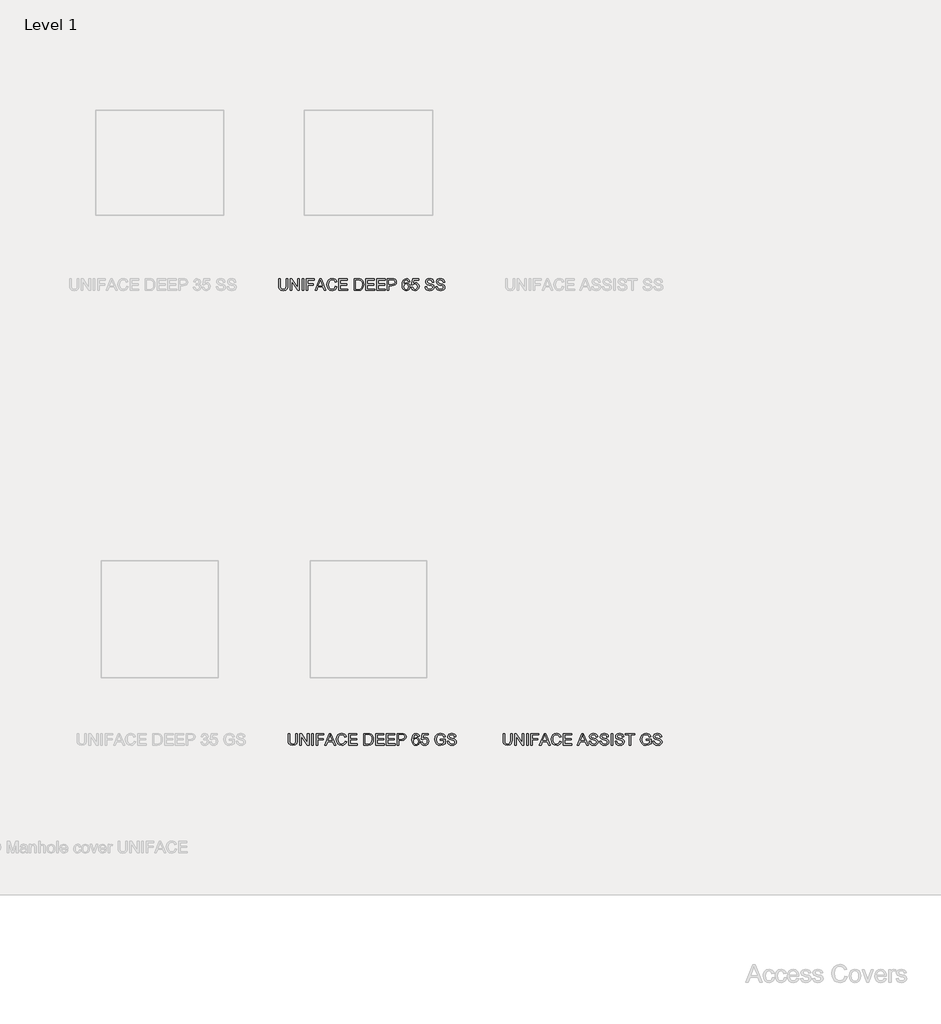
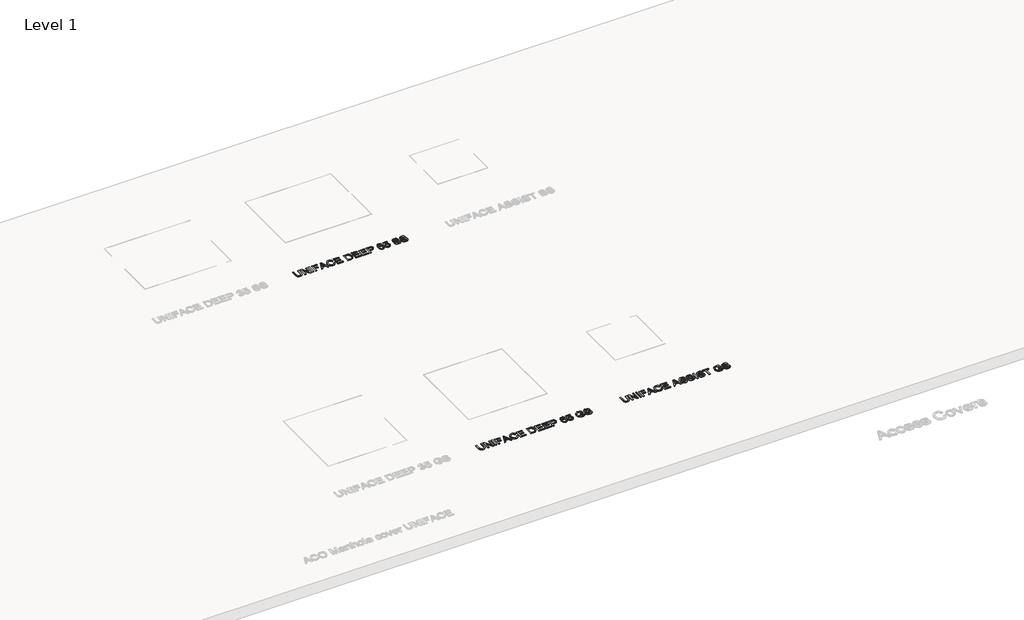
# One storey, part 6 of 9: 3 proxies.
"""IFC4 building model written with IfcOpenShell, lengths in millimetres."""

import ifcopenshell
import ifcopenshell.guid

model = None  # the IFC model being written
_history = None  # IfcOwnerHistory: only IFC2X3 demands one
_inside = {}  # id of a spatial element -> (the spatial element, [elements in it])
_under = {}  # id of a project, library or spatial element -> (it, [spatial elements below it])
_declared = {}  # id of a project -> (the project, [libraries it declares])
_typed = {}  # id of a type object -> (the type object, [elements of that type])
_made_of = {}  # id of a material, layer set ... -> (it, [elements and type objects made of it])


def new_model(schema):
    """Start an empty IFC model of exactly this schema.

    Asked for "IFC4X3", IfcOpenShell would pick the latest addendum, in which some entities
    have other attributes; the version numbers below select the first issue.
    IFC2X3 requires an IfcOwnerHistory on every rooted entity: one is made here for all.
    """
    global model, _history
    if schema == "IFC4X3":
        model = ifcopenshell.file(schema_version=(4, 3, 0, 0))
    else:
        model = ifcopenshell.file(schema=schema)
    _inside.clear()
    _under.clear()
    _declared.clear()
    _typed.clear()
    _made_of.clear()
    _history = None
    if model.schema == "IFC2X3":
        org = make("IfcOrganization", Name="unknown")
        user = make(
            "IfcPersonAndOrganization",
            ThePerson=make("IfcPerson", FamilyName="unknown"),
            TheOrganization=org,
        )
        app = make(
            "IfcApplication",
            ApplicationDeveloper=org,
            Version="unknown",
            ApplicationFullName="unknown",
            ApplicationIdentifier="unknown",
        )
        _history = make(
            "IfcOwnerHistory",
            OwningUser=user,
            OwningApplication=app,
            ChangeAction="ADDED",
            CreationDate=0,
        )
    return model


def make(cls, **values):
    """One entity of the class cls with the attributes given. An attribute that is None is left unset."""
    return model.create_entity(
        cls, **{name: value for name, value in values.items() if value is not None}
    )


def rooted(cls, **values):
    """An entity with a GlobalId (a new one), such as an element, a storey or a relation."""
    return make(cls, GlobalId=ifcopenshell.guid.new(), OwnerHistory=_history, **values)


def si_unit(unit_type, name, prefix=None):
    """IfcSIUnit, for example si_unit("LENGTHUNIT", "METRE", prefix="MILLI")."""
    return make("IfcSIUnit", UnitType=unit_type, Prefix=prefix, Name=name)


def assignment(units):
    """IfcUnitAssignment: the units of a project."""
    return None if units is None else make("IfcUnitAssignment", Units=units)


def point(xyz):
    """IfcCartesianPoint."""
    return None if xyz is None else make("IfcCartesianPoint", Coordinates=xyz)


def direction(xyz):
    """IfcDirection."""
    return None if xyz is None else make("IfcDirection", DirectionRatios=xyz)


def frame(location, z_axis=None, x_axis=None):
    """IfcAxis2Placement3D, a coordinate frame: its origin and axes. An axis left out is left unset."""
    return make(
        "IfcAxis2Placement3D",
        Location=point(location),
        Axis=direction(z_axis),
        RefDirection=direction(x_axis),
    )


def origin():
    """The frame at (0, 0, 0) with its axes left unset."""
    return frame((0.0, 0.0, 0.0))


def origin_with_axes():
    """The frame at (0, 0, 0) with the z axis (0, 0, 1) and the x axis (1, 0, 0) written out."""
    return frame((0.0, 0.0, 0.0), z_axis=(0.0, 0.0, 1.0), x_axis=(1.0, 0.0, 0.0))


def place(relative_to, where):
    """IfcLocalPlacement: puts the frame where relative to a parent placement (None: the world)."""
    return make(
        "IfcLocalPlacement", PlacementRelTo=relative_to, RelativePlacement=where
    )


def context(
    kind, dimensions, precision=None, world=None, true_north=None, identifier=None
):
    """IfcGeometricRepresentationContext, for example the 3D "Model" context."""
    return make(
        "IfcGeometricRepresentationContext",
        ContextIdentifier=identifier,
        ContextType=kind,
        CoordinateSpaceDimension=dimensions,
        Precision=precision,
        WorldCoordinateSystem=world,
        TrueNorth=true_north,
    )


def project(units=None, contexts=None):
    """IfcProject with its units and contexts."""
    return rooted(
        "IfcProject",
        Name="project",
        RepresentationContexts=contexts,
        UnitsInContext=assignment(units),
    )


def spatial(cls, under=None, at=None, **own):
    """A site, building, storey or space (cls), placed at a placement, below another one or the project."""
    s = rooted(cls, ObjectPlacement=at, **own)
    if under is not None:
        _under.setdefault(under.id(), (under, []))[1].append(s)
    return s


def polyline(points):
    """IfcPolyline through the points."""
    return make("IfcPolyline", Points=[point(p) for p in points])


def outline(outer, holes=None, kind="AREA"):
    """IfcArbitraryClosedProfileDef: a profile drawn as a closed curve; with holes, ...WithVoids."""
    if holes is None:
        return make("IfcArbitraryClosedProfileDef", ProfileType=kind, OuterCurve=outer)
    return make(
        "IfcArbitraryProfileDefWithVoids",
        ProfileType=kind,
        OuterCurve=outer,
        InnerCurves=holes,
    )


def extrude(swept, where, along, depth):
    """IfcExtrudedAreaSolid: the profile swept, set in the frame where, extruded along a direction by depth."""
    return make(
        "IfcExtrudedAreaSolid",
        SweptArea=swept,
        Position=where,
        ExtrudedDirection=direction(along),
        Depth=depth,
    )


def shape(context_of_items, identifier, shape_type, items):
    """IfcShapeRepresentation: the items that make up one representation, for example the "Body"."""
    return make(
        "IfcShapeRepresentation",
        ContextOfItems=context_of_items,
        RepresentationIdentifier=identifier,
        RepresentationType=shape_type,
        Items=items,
    )


def made_of(thing, what):
    """Note that an element or type object is made of a material, layer set ...; save() writes the relation."""
    if what is not None:
        _made_of.setdefault(what.id(), (what, []))[1].append(thing)
    return thing


def element(
    cls,
    number,
    at=None,
    inside=None,
    cuts=None,
    type_object=None,
    material=None,
    context=None,
    identifier="Body",
    shape_type=None,
    held_by="IfcProductDefinitionShape",
    body=None,
    shapes=None,
    **own,
):
    """One element of the class cls, such as IfcWall. Its Tag is "e" and its number.

    at: its placement. inside: the storey or other place that contains it. cuts: it is an
    opening in that element (IfcRelVoidsElement). A single representation is given by context,
    identifier, shape_type and body (its items); several are given by shapes. held_by: the class
    of the entity that holds the representations. save() writes the other relations.
    """
    e = rooted(cls, Tag="e%d" % number, ObjectPlacement=at, **own)
    if body is not None:
        shapes = [shape(context, identifier, shape_type, body)]
    if shapes is not None:
        e.Representation = make(held_by, Representations=shapes)
    if inside is not None:
        _inside.setdefault(inside.id(), (inside, []))[1].append(e)
    if cuts is not None:
        rooted(
            "IfcRelVoidsElement", RelatingBuildingElement=cuts, RelatedOpeningElement=e
        )
    if type_object is not None:
        _typed.setdefault(type_object.id(), (type_object, []))[1].append(e)
    return made_of(e, material)


def aggregate(whole, parts):
    """IfcRelAggregates: a whole, such as a stair, and the parts it consists of."""
    return rooted("IfcRelAggregates", RelatingObject=whole, RelatedObjects=parts)


def save(model, path):
    """Write the relations noted so far, then the file.

    IfcRelAggregates (storeys below a building ...), IfcRelContainedInSpatialStructure (elements
    in a storey), IfcRelDefinesByType, IfcRelAssociatesMaterial and IfcRelDeclares: one each for
    every whole, place, type object, material and project.
    """
    for whole, parts in _under.values():
        aggregate(whole, parts)
    for where, things in _inside.values():
        rooted(
            "IfcRelContainedInSpatialStructure",
            RelatedElements=things,
            RelatingStructure=where,
        )
    for kind, things in _typed.values():
        rooted("IfcRelDefinesByType", RelatedObjects=things, RelatingType=kind)
    for what, things in _made_of.values():
        rooted("IfcRelAssociatesMaterial", RelatedObjects=things, RelatingMaterial=what)
    for by, libraries in _declared.values():
        rooted("IfcRelDeclares", RelatingContext=by, RelatedDefinitions=libraries)
    model.write(path)


model = new_model("IFC4")

# Units and contexts
model_context = context("Model", 3, world=origin())
ifc_project = project(units=[si_unit("LENGTHUNIT", "METRE", prefix="MILLI")], contexts=[model_context])

# Site, building, storey
site = spatial("IfcSite", under=ifc_project)
building = spatial("IfcBuilding", under=site)
storey = spatial("IfcBuildingStorey", under=building, Name="Level 1", Elevation=0.0)

# Proxies
placement = place(None, origin())
element("IfcBuildingElementProxy", 1, Name="100mm ACO", ObjectType="100mm ACO", at=placement, inside=storey, context=model_context, shape_type="SweptSolid", body=[
    extrude(outline(polyline([(9234.888236, -15767.3956492), (9234.0442111, -15781.7586247), (9229.5621478, -15795.3212318), (9217.7457991, -15806.9338503), (9195.9466731, -15811.5759873), (9174.4967988, -15807.4577279), (9162.5494807, -15796.8055515), (9157.7036136, -15783.1992879), (9156.6558585, -15767.3956492), (9156.6558585, -15709.1288264), (9169.6945881, -15709.1288264), (9169.6945881, -15767.7449008), (9170.9897298, -15783.5048831), (9177.8146898, -15795.2630232), (9184.850656, -15799.1157058), (9194.898918, -15800.3999334), (9212.4342631, -15796.3107783), (9220.0741437, -15785.3821109), (9221.8495064, -15767.7449008), (9221.8495064, -15709.1288264), (9234.888236, -15709.1288264), (9234.888236, -15767.3956492)])), origin_with_axes(), (0.0, 0.0, 1.0), 10.0),
    extrude(outline(polyline([(9335.4727213, -15809.7133117), (9321.5026539, -15809.7133117), (9270.5410122, -15731.0152653), (9270.5410122, -15809.7133117), (9257.2403438, -15809.7133117), (9257.2403438, -15709.1288264), (9271.2395156, -15709.1288264), (9322.172053, -15787.7686641), (9322.172053, -15709.1288264), (9335.4727213, -15709.1288264), (9335.4727213, -15809.7133117)])), origin_with_axes(), (0.0, 0.0, 1.0), 10.0),
    extrude(outline(polyline([(9372.7262344, -15809.7133117), (9359.6875048, -15809.7133117), (9359.6875048, -15709.1288264), (9372.7262344, -15709.1288264), (9372.7262344, -15809.7133117)])), origin_with_axes(), (0.0, 0.0, 1.0), 10.0),
    extrude(outline(polyline([(9463.9973414, -15720.3048803), (9409.9797475, -15720.3048803), (9409.9797475, -15751.9703664), (9456.5466388, -15751.9703664), (9456.5466388, -15763.1464203), (9409.9797475, -15763.1464203), (9409.9797475, -15809.7133117), (9396.9410179, -15809.7133117), (9396.9410179, -15709.1288264), (9463.9973414, -15709.1288264), (9463.9973414, -15720.3048803)])), origin_with_axes(), (0.0, 0.0, 1.0), 10.0),
    extrude(outline(polyline([(9565.0474957, -15809.7133117), (9551.1647412, -15809.7133117), (9539.1155581, -15779.9105012), (9496.4195396, -15779.9105012), (9484.8360253, -15809.7133117), (9470.9823752, -15809.7133117), (9510.0694596, -15709.1288264), (9524.3305701, -15709.1288264), (9565.0474957, -15809.7133117)]), holes=[polyline([(9534.5752862, -15768.7344473), (9520.0667891, -15731.8592902), (9517.0835976, -15720.1302544), (9512.3978041, -15738.8152196), (9500.7851856, -15768.7344473), (9534.5752862, -15768.7344473)])]), origin_with_axes(), (0.0, 0.0, 1.0), 10.0),
    extrude(outline(polyline([(9659.5782851, -15777.6985739), (9653.6300924, -15792.6108932), (9644.4585976, -15803.1793947), (9632.6022305, -15809.4768392), (9618.5994207, -15811.5759873), (9597.5715589, -15807.6978384), (9583.1503747, -15796.0633916), (9574.8119907, -15778.9718873), (9572.0325294, -15758.7225656), (9575.2958498, -15737.2108447), (9585.0858111, -15720.9306229), (9600.0054065, -15710.6822687), (9618.6576293, -15707.2661507), (9632.0492487, -15709.0888079), (9643.3526339, -15714.5567796), (9652.0730119, -15723.5390964), (9657.7156095, -15735.9047889), (9644.6768799, -15738.9316368), (9634.7668633, -15723.5791148), (9618.1628561, -15718.4422046), (9603.8580892, -15721.1670954), (9593.4824037, -15729.3417676), (9587.1740451, -15742.1003683), (9585.071259, -15758.5770441), (9587.2977385, -15777.047365), (9593.9771769, -15790.0824565), (9604.2364452, -15797.8205642), (9617.202414, -15800.3999334), (9627.8327622, -15798.7737302), (9636.2657351, -15793.8951208), (9642.5013329, -15785.7495528), (9646.5395555, -15774.3224742), (9659.5782851, -15777.6985739)])), origin_with_axes(), (0.0, 0.0, 1.0), 10.0),
    extrude(outline(polyline([(9750.8493922, -15809.7133117), (9676.342366, -15809.7133117), (9676.342366, -15709.1288264), (9748.9867165, -15709.1288264), (9748.9867165, -15720.3048803), (9689.3810956, -15720.3048803), (9689.3810956, -15751.9703664), (9745.2613652, -15751.9703664), (9745.2613652, -15763.1464203), (9689.3810956, -15763.1464203), (9689.3810956, -15798.5372577), (9750.8493922, -15798.5372577), (9750.8493922, -15809.7133117)])), origin_with_axes(), (0.0, 0.0, 1.0), 10.0),
    extrude(outline(polyline([(9891.0157351, -15809.7133117), (9877.1329807, -15809.7133117), (9865.0837975, -15779.9105012), (9822.387779, -15779.9105012), (9810.8042648, -15809.7133117), (9796.9506146, -15809.7133117), (9836.037699, -15709.1288264), (9850.2988095, -15709.1288264), (9891.0157351, -15809.7133117)]), holes=[polyline([(9860.5435256, -15768.7344473), (9846.0350285, -15731.8592902), (9843.051837, -15720.1302544), (9838.3660436, -15738.8152196), (9826.7534251, -15768.7344473), (9860.5435256, -15768.7344473)])]), origin_with_axes(), (0.0, 0.0, 1.0), 10.0),
    extrude(outline(polyline([(9959.4690654, -15738.9316368), (9957.4463161, -15729.9857004), (9952.9497006, -15723.5791148), (9945.9792191, -15719.7264322), (9936.5348714, -15718.4422046), (9920.8185456, -15722.4440468), (9916.2782737, -15727.3590367), (9914.7648497, -15734.1003218), (9919.2614652, -15744.2140686), (9937.5535222, -15750.5442553), (9957.5045247, -15756.0595215), (9970.7324323, -15765.0382003), (9974.8579678, -15772.1614794), (9976.2331463, -15781.3657166), (9973.7119857, -15793.2730162), (9966.1485039, -15802.9756646), (9954.5322473, -15809.4259066), (9939.8527624, -15811.5759873), (9921.7644356, -15809.1894341), (9908.8857797, -15802.0297746), (9901.0276168, -15791.072003), (9898.0007688, -15777.2911136), (9911.0394984, -15776.1851499), (9913.6843523, -15787.1247313), (9919.9308642, -15794.6227284), (9928.818592, -15798.9556322), (9939.3870935, -15800.3999334), (9956.6168433, -15795.6413792), (9961.5500234, -15790.035162), (9963.1944167, -15782.733619), (9961.4954528, -15775.3629532), (9956.398561, -15770.3060799), (9932.984146, -15762.8117208), (9918.6902931, -15758.4460747), (9909.0458534, -15752.5379004), (9903.5560535, -15744.8652774), (9901.7261202, -15735.2062855), (9904.0217224, -15724.1466488), (9910.908529, -15715.1825222), (9921.7535215, -15709.2452436), (9935.923681, -15707.2661507), (9950.5704235, -15709.2597957), (9962.0302445, -15715.2407308), (9969.5828121, -15724.8888086), (9972.507795, -15737.8838818), (9959.4690654, -15738.9316368)])), origin_with_axes(), (0.0, 0.0, 1.0), 10.0),
    extrude(outline(polyline([(10052.6028481, -15738.9316368), (10050.5800988, -15729.9857004), (10046.0834833, -15723.5791148), (10039.1130018, -15719.7264322), (10029.6686541, -15718.4422046), (10013.9523283, -15722.4440468), (10009.4120564, -15727.3590367), (10007.8986324, -15734.1003218), (10012.3952479, -15744.2140686), (10030.6873049, -15750.5442553), (10050.6383074, -15756.0595215), (10063.866215, -15765.0382003), (10067.9917505, -15772.1614794), (10069.366929, -15781.3657166), (10066.8457684, -15793.2730162), (10059.2822866, -15802.9756646), (10047.66603, -15809.4259066), (10032.9865451, -15811.5759873), (10014.8982183, -15809.1894341), (10002.0195624, -15802.0297746), (9994.1613995, -15791.072003), (9991.1345515, -15777.2911136), (10004.1732811, -15776.1851499), (10006.818135, -15787.1247313), (10013.0646469, -15794.6227284), (10021.9523747, -15798.9556322), (10032.5208762, -15800.3999334), (10049.750626, -15795.6413792), (10054.6838061, -15790.035162), (10056.3281994, -15782.733619), (10054.6292355, -15775.3629532), (10049.5323437, -15770.3060799), (10026.1179287, -15762.8117208), (10011.8240759, -15758.4460747), (10002.1796361, -15752.5379004), (9996.6898362, -15744.8652774), (9994.8599029, -15735.2062855), (9997.1555051, -15724.1466488), (10004.0423117, -15715.1825222), (10014.8873042, -15709.2452436), (10029.0574637, -15707.2661507), (10043.7042062, -15709.2597957), (10055.1640272, -15715.2407308), (10062.7165948, -15724.8888086), (10065.6415777, -15737.8838818), (10052.6028481, -15738.9316368)])), origin_with_axes(), (0.0, 0.0, 1.0), 10.0),
    extrude(outline(polyline([(10102.8950908, -15809.7133117), (10089.8563612, -15809.7133117), (10089.8563612, -15709.1288264), (10102.8950908, -15709.1288264), (10102.8950908, -15809.7133117)])), origin_with_axes(), (0.0, 0.0, 1.0), 10.0),
    extrude(outline(polyline([(10184.8528196, -15738.9316368), (10182.8300702, -15729.9857004), (10178.3334548, -15723.5791148), (10171.3629732, -15719.7264322), (10161.9186256, -15718.4422046), (10146.2022997, -15722.4440468), (10141.6620278, -15727.3590367), (10140.1486039, -15734.1003218), (10144.6452193, -15744.2140686), (10162.9372763, -15750.5442553), (10182.8882788, -15756.0595215), (10196.1161864, -15765.0382003), (10200.2417219, -15772.1614794), (10201.6169005, -15781.3657166), (10199.0957399, -15793.2730162), (10191.532258, -15802.9756646), (10179.9160015, -15809.4259066), (10165.2365166, -15811.5759873), (10147.1481897, -15809.1894341), (10134.2695338, -15802.0297746), (10126.4113709, -15791.072003), (10123.384523, -15777.2911136), (10136.4232526, -15776.1851499), (10139.0681065, -15787.1247313), (10145.3146184, -15794.6227284), (10154.2023462, -15798.9556322), (10164.7708477, -15800.3999334), (10182.0005975, -15795.6413792), (10186.9337775, -15790.035162), (10188.5781709, -15782.733619), (10186.879207, -15775.3629532), (10181.7823152, -15770.3060799), (10158.3679001, -15762.8117208), (10144.0740473, -15758.4460747), (10134.4296075, -15752.5379004), (10128.9398076, -15744.8652774), (10127.1098743, -15735.2062855), (10129.4054765, -15724.1466488), (10136.2922832, -15715.1825222), (10147.1372756, -15709.2452436), (10161.3074351, -15707.2661507), (10175.9541777, -15709.2597957), (10187.4139986, -15715.2407308), (10194.9665663, -15724.8888086), (10197.8915491, -15737.8838818), (10184.8528196, -15738.9316368)])), origin_with_axes(), (0.0, 0.0, 1.0), 10.0),
    extrude(outline(polyline([(10291.0253319, -15720.3048803), (10257.4971701, -15720.3048803), (10257.4971701, -15809.7133117), (10244.4584405, -15809.7133117), (10244.4584405, -15720.3048803), (10210.9302787, -15720.3048803), (10210.9302787, -15709.1288264), (10291.0253319, -15709.1288264), (10291.0253319, -15720.3048803)])), origin_with_axes(), (0.0, 0.0, 1.0), 10.0),
    extrude(outline(polyline([(10432.5886816, -15796.2962261), (10413.0669676, -15807.756047), (10391.8135473, -15811.5759873), (10371.313201, -15808.039814), (10355.2148811, -15797.4312941), (10344.7919012, -15780.9582563), (10341.3175745, -15759.8285293), (10346.9783622, -15733.168984), (10353.9815861, -15722.2184885), (10363.6696824, -15714.0474542), (10375.9298717, -15708.9614766), (10390.649375, -15707.2661507), (10405.5726085, -15709.1506546), (10417.2216074, -15714.8041662), (10425.6036479, -15724.2194096), (10430.7260059, -15737.3891085), (10417.6872763, -15740.7943125), (10413.9073544, -15731.0334555), (10407.9809899, -15724.0447837), (10399.9081827, -15719.8428494), (10389.6889329, -15718.4422046), (10374.3400489, -15721.2653224), (10363.2767742, -15729.7346758), (10356.5864216, -15742.7734054), (10354.3563041, -15759.3046518), (10358.7656066, -15782.0496678), (10371.8479927, -15795.7577964), (10390.7075836, -15800.3999334), (10405.6599214, -15797.5768156), (10419.549952, -15789.1074622), (10419.549952, -15768.7344473), (10389.7471415, -15768.7344473), (10389.7471415, -15757.5583934), (10432.5886816, -15757.5583934), (10432.5886816, -15796.2962261)])), origin_with_axes(), (0.0, 0.0, 1.0), 10.0),
    extrude(outline(polyline([(10510.821059, -15738.9316368), (10508.7983097, -15729.9857004), (10504.3016942, -15723.5791148), (10497.3312127, -15719.7264322), (10487.886865, -15718.4422046), (10472.1705392, -15722.4440468), (10467.6302673, -15727.3590367), (10466.1168433, -15734.1003218), (10470.6134588, -15744.2140686), (10488.9055158, -15750.5442553), (10508.8565183, -15756.0595215), (10522.0844259, -15765.0382003), (10526.2099614, -15772.1614794), (10527.5851399, -15781.3657166), (10525.0639793, -15793.2730162), (10517.5004975, -15802.9756646), (10505.8842409, -15809.4259066), (10491.204756, -15811.5759873), (10473.1164292, -15809.1894341), (10460.2377733, -15802.0297746), (10452.3796104, -15791.072003), (10449.3527624, -15777.2911136), (10462.391492, -15776.1851499), (10465.0363459, -15787.1247313), (10471.2828578, -15794.6227284), (10480.1705856, -15798.9556322), (10490.7390871, -15800.3999334), (10507.9688369, -15795.6413792), (10512.902017, -15790.035162), (10514.5464103, -15782.733619), (10512.8474464, -15775.3629532), (10507.7505546, -15770.3060799), (10484.3361396, -15762.8117208), (10470.0422868, -15758.4460747), (10460.397847, -15752.5379004), (10454.9080471, -15744.8652774), (10453.0781138, -15735.2062855), (10455.373716, -15724.1466488), (10462.2605226, -15715.1825222), (10473.1055151, -15709.2452436), (10487.2756746, -15707.2661507), (10501.9224171, -15709.2597957), (10513.3822381, -15715.2407308), (10520.9348057, -15724.8888086), (10523.8597886, -15737.8838818), (10510.821059, -15738.9316368)])), origin_with_axes(), (0.0, 0.0, 1.0), 10.0),
])
element("IfcBuildingElementProxy", 2, Name="100mm ACO", ObjectType="100mm ACO", at=placement, inside=storey, context=model_context, shape_type="SweptSolid", body=[
    extrude(outline(polyline([(7300.2115281, -11847.3956492), (7299.3675032, -11861.7586247), (7294.8854399, -11875.3212318), (7283.0690912, -11886.9338503), (7261.2699652, -11891.5759873), (7239.8200909, -11887.4577279), (7227.8727728, -11876.8055515), (7223.0269057, -11863.1992879), (7221.9791507, -11847.3956492), (7221.9791507, -11789.1288264), (7235.0178802, -11789.1288264), (7235.0178802, -11847.7449008), (7236.3130219, -11863.5048831), (7243.1379819, -11875.2630232), (7250.1739482, -11879.1157058), (7260.2222102, -11880.3999334), (7277.7575552, -11876.3107783), (7285.3974358, -11865.3821109), (7287.1727985, -11847.7449008), (7287.1727985, -11789.1288264), (7300.2115281, -11789.1288264), (7300.2115281, -11847.3956492)])), origin_with_axes(), (0.0, 0.0, 1.0), 10.0),
    extrude(outline(polyline([(7400.7960134, -11889.7133117), (7386.825946, -11889.7133117), (7335.8643043, -11811.0152653), (7335.8643043, -11889.7133117), (7322.563636, -11889.7133117), (7322.563636, -11789.1288264), (7336.5628077, -11789.1288264), (7387.4953451, -11867.7686641), (7387.4953451, -11789.1288264), (7400.7960134, -11789.1288264), (7400.7960134, -11889.7133117)])), origin_with_axes(), (0.0, 0.0, 1.0), 10.0),
    extrude(outline(polyline([(7438.0495265, -11889.7133117), (7425.010797, -11889.7133117), (7425.010797, -11789.1288264), (7438.0495265, -11789.1288264), (7438.0495265, -11889.7133117)])), origin_with_axes(), (0.0, 0.0, 1.0), 10.0),
    extrude(outline(polyline([(7529.3206336, -11800.3048803), (7475.3030396, -11800.3048803), (7475.3030396, -11831.9703664), (7521.869931, -11831.9703664), (7521.869931, -11843.1464203), (7475.3030396, -11843.1464203), (7475.3030396, -11889.7133117), (7462.26431, -11889.7133117), (7462.26431, -11789.1288264), (7529.3206336, -11789.1288264), (7529.3206336, -11800.3048803)])), origin_with_axes(), (0.0, 0.0, 1.0), 10.0),
    extrude(outline(polyline([(7630.3707878, -11889.7133117), (7616.4880333, -11889.7133117), (7604.4388502, -11859.9105012), (7561.7428317, -11859.9105012), (7550.1593175, -11889.7133117), (7536.3056673, -11889.7133117), (7575.3927517, -11789.1288264), (7589.6538622, -11789.1288264), (7630.3707878, -11889.7133117)]), holes=[polyline([(7599.8985783, -11848.7344473), (7585.3900812, -11811.8592902), (7582.4068897, -11800.1302544), (7577.7210963, -11818.8152196), (7566.1084777, -11848.7344473), (7599.8985783, -11848.7344473)])]), origin_with_axes(), (0.0, 0.0, 1.0), 10.0),
    extrude(outline(polyline([(7724.9015773, -11857.6985739), (7718.9533845, -11872.6108932), (7709.7818897, -11883.1793947), (7697.9255226, -11889.4768392), (7683.9227129, -11891.5759873), (7662.894851, -11887.6978384), (7648.4736668, -11876.0633916), (7640.1352828, -11858.9718873), (7637.3558215, -11838.7225656), (7640.6191419, -11817.2108447), (7650.4091032, -11800.9306229), (7665.3286987, -11790.6822687), (7683.9809215, -11787.2661507), (7697.3725408, -11789.0888079), (7708.675926, -11794.5567796), (7717.3963041, -11803.5390964), (7723.0389016, -11815.9047889), (7710.000172, -11818.9316368), (7700.0901555, -11803.5791148), (7683.4861483, -11798.4422046), (7669.1813813, -11801.1670954), (7658.8056958, -11809.3417676), (7652.4973373, -11822.1003683), (7650.3945511, -11838.5770441), (7652.6210306, -11857.047365), (7659.3004691, -11870.0824565), (7669.5597373, -11877.8205642), (7682.5257061, -11880.3999334), (7693.1560543, -11878.7737302), (7701.5890273, -11873.8951208), (7707.8246251, -11865.7495528), (7711.8628477, -11854.3224742), (7724.9015773, -11857.6985739)])), origin_with_axes(), (0.0, 0.0, 1.0), 10.0),
    extrude(outline(polyline([(7816.1726843, -11889.7133117), (7741.6656581, -11889.7133117), (7741.6656581, -11789.1288264), (7814.3100086, -11789.1288264), (7814.3100086, -11800.3048803), (7754.7043877, -11800.3048803), (7754.7043877, -11831.9703664), (7810.5846573, -11831.9703664), (7810.5846573, -11843.1464203), (7754.7043877, -11843.1464203), (7754.7043877, -11878.5372577), (7816.1726843, -11878.5372577), (7816.1726843, -11889.7133117)])), origin_with_axes(), (0.0, 0.0, 1.0), 10.0),
    extrude(outline(polyline([(7873.9156296, -11789.1288264), (7908.1422947, -11789.1288264), (7923.6257861, -11790.0601642), (7936.0242209, -11794.5858839), (7946.3708021, -11804.4959005), (7953.3412836, -11819.0043976), (7955.8733584, -11838.8680872), (7953.2685229, -11859.1210469), (7945.4540164, -11875.4085447), (7931.2874949, -11886.1371199), (7909.6266144, -11889.7133117), (7873.9156296, -11889.7133117), (7873.9156296, -11789.1288264)]), holes=[polyline([(7886.9543592, -11878.5372577), (7908.4042335, -11878.5372577), (7920.1187171, -11877.6932328), (7930.5817155, -11873.1384088), (7939.3566641, -11860.9728084), (7942.8346288, -11838.5770441), (7941.4958307, -11824.1995164), (7936.5772028, -11812.0193639), (7928.355236, -11803.972023), (7919.3037965, -11800.8578621), (7907.9967732, -11800.3048803), (7886.9543592, -11800.3048803), (7886.9543592, -11878.5372577)])]), origin_with_axes(), (0.0, 0.0, 1.0), 10.0),
    extrude(outline(polyline([(8049.0071411, -11889.7133117), (7974.5001149, -11889.7133117), (7974.5001149, -11789.1288264), (8047.1444654, -11789.1288264), (8047.1444654, -11800.3048803), (7987.5388445, -11800.3048803), (7987.5388445, -11831.9703664), (8043.4191141, -11831.9703664), (8043.4191141, -11843.1464203), (7987.5388445, -11843.1464203), (7987.5388445, -11878.5372577), (8049.0071411, -11878.5372577), (8049.0071411, -11889.7133117)])), origin_with_axes(), (0.0, 0.0, 1.0), 10.0),
    extrude(outline(polyline([(8142.1409238, -11889.7133117), (8067.6338976, -11889.7133117), (8067.6338976, -11789.1288264), (8140.2782481, -11789.1288264), (8140.2782481, -11800.3048803), (8080.6726272, -11800.3048803), (8080.6726272, -11831.9703664), (8136.5528968, -11831.9703664), (8136.5528968, -11843.1464203), (8080.6726272, -11843.1464203), (8080.6726272, -11878.5372577), (8142.1409238, -11878.5372577), (8142.1409238, -11889.7133117)])), origin_with_axes(), (0.0, 0.0, 1.0), 10.0),
    extrude(outline(polyline([(8160.7676803, -11789.1288264), (8198.5450709, -11789.1288264), (8213.9412494, -11790.0165077), (8225.9322239, -11794.6295404), (8234.2997122, -11804.7432871), (8237.1373821, -11818.1167162), (8234.8999885, -11830.6206542), (8228.1878077, -11840.366959), (8216.5424468, -11846.6425752), (8199.505513, -11848.7344473), (8173.8064099, -11848.7344473), (8173.8064099, -11889.7133117), (8160.7676803, -11889.7133117), (8160.7676803, -11789.1288264)]), holes=[polyline([(8173.8064099, -11837.5583934), (8200.0293906, -11837.5583934), (8218.0813371, -11832.7925631), (8222.5943237, -11826.8352752), (8224.0986525, -11818.4950722), (8220.9699395, -11807.4499877), (8213.2864025, -11801.4836047), (8199.7383475, -11800.3048803), (8173.8064099, -11800.3048803), (8173.8064099, -11837.5583934)])]), origin_with_axes(), (0.0, 0.0, 1.0), 10.0),
    extrude(outline(polyline([(8300.337385, -11837.8494364), (8310.8076595, -11827.8521069), (8324.7704508, -11824.5196638), (8336.2157195, -11826.8079899), (8345.8128648, -11833.6729684), (8352.3176774, -11844.0959483), (8354.4859483, -11857.0582791), (8352.3104014, -11870.3589475), (8345.7837605, -11881.5058971), (8335.6481856, -11889.0584648), (8322.6458364, -11891.5759873), (8309.1123336, -11888.9093052), (8297.7325495, -11880.9092588), (8290.005356, -11866.0842523), (8287.4296248, -11842.9426902), (8289.7579693, -11819.4627904), (8296.7430031, -11802.6332248), (8308.1373393, -11792.504926), (8323.6935914, -11789.1288264), (8334.2257126, -11790.704097), (8343.0042992, -11795.4299088), (8349.3599522, -11803.2480533), (8352.6232727, -11814.1003218), (8339.5845431, -11815.2062855), (8333.7418534, -11802.6332248), (8322.8495665, -11798.4422046), (8314.2165014, -11800.8142056), (8306.8858541, -11807.9302087), (8301.8762752, -11820.1540177), (8300.337385, -11837.8494364)]), holes=[polyline([(8322.5294191, -11882.2626091), (8330.1692997, -11880.454504), (8336.2084435, -11875.0301887), (8341.4472187, -11857.5530523), (8336.2084435, -11840.556137), (8330.0674347, -11835.5138158), (8322.1219588, -11833.833042), (8314.5912194, -11835.4155887), (8308.1809957, -11840.1632288), (8303.7935214, -11847.4938762), (8302.33103, -11856.8254447), (8303.7680552, -11866.5899397), (8308.0791307, -11874.8119064), (8314.5657531, -11880.3999334), (8322.5294191, -11882.2626091)])]), origin_with_axes(), (0.0, 0.0, 1.0), 10.0),
    extrude(outline(polyline([(8383.2410037, -11827.2263643), (8402.0132818, -11822.6569881), (8413.5640537, -11824.8943817), (8423.5359169, -11831.6065626), (8430.4227236, -11842.0440947), (8432.7183258, -11855.4575422), (8430.3354107, -11869.3766771), (8423.1866652, -11881.0402282), (8412.174323, -11888.9420475), (8398.2006176, -11891.5759873), (8386.391545, -11889.7569681), (8376.2850743, -11884.2999105), (8369.0017215, -11875.2775754), (8365.6620023, -11862.7627233), (8378.7007318, -11861.7731769), (8385.5111397, -11877.1839075), (8398.3461391, -11882.2626091), (8406.961014, -11880.3781052), (8413.7714219, -11874.7245935), (8418.2025526, -11866.3134488), (8419.6795962, -11856.1560456), (8418.1989146, -11846.1296118), (8413.7568697, -11838.4606269), (8406.9864803, -11833.5929315), (8398.520765, -11831.9703664), (8388.1232513, -11834.3350913), (8380.4469903, -11841.4292662), (8367.5246779, -11839.9158422), (8377.2746208, -11790.991502), (8428.9929745, -11790.991502), (8428.9929745, -11800.3048803), (8388.6253005, -11800.3048803), (8383.2410037, -11827.2263643)])), origin_with_axes(), (0.0, 0.0, 1.0), 10.0),
    extrude(outline(polyline([(8546.3415407, -11818.9316368), (8544.3187914, -11809.9857004), (8539.8221759, -11803.5791148), (8532.8516944, -11799.7264322), (8523.4073467, -11798.4422046), (8507.6910209, -11802.4440468), (8503.150749, -11807.3590367), (8501.637325, -11814.1003218), (8506.1339404, -11824.2140686), (8524.4259975, -11830.5442553), (8544.377, -11836.0595215), (8557.6049075, -11845.0382003), (8561.7304431, -11852.1614794), (8563.1056216, -11861.3657166), (8560.584461, -11873.2730162), (8553.0209792, -11882.9756646), (8541.4047226, -11889.4259066), (8526.7252377, -11891.5759873), (8508.6369109, -11889.1894341), (8495.758255, -11882.0297746), (8487.900092, -11871.072003), (8484.8732441, -11857.2911136), (8497.9119737, -11856.1851499), (8500.5568276, -11867.1247313), (8506.8033395, -11874.6227284), (8515.6910673, -11878.9556322), (8526.2595688, -11880.3999334), (8543.4893186, -11875.6413792), (8548.4224987, -11870.035162), (8550.066892, -11862.733619), (8548.3679281, -11855.3629532), (8543.2710363, -11850.3060799), (8519.8566212, -11842.8117208), (8505.5627684, -11838.4460747), (8495.9183287, -11832.5379004), (8490.4285287, -11824.8652774), (8488.5985954, -11815.2062855), (8490.8941976, -11804.1466488), (8497.7810043, -11795.1825222), (8508.6259967, -11789.2452436), (8522.7961563, -11787.2661507), (8537.4428988, -11789.2597957), (8548.9027197, -11795.2407308), (8556.4552874, -11804.8888086), (8559.3802703, -11817.8838818), (8546.3415407, -11818.9316368)])), origin_with_axes(), (0.0, 0.0, 1.0), 10.0),
    extrude(outline(polyline([(8639.4753234, -11818.9316368), (8637.4525741, -11809.9857004), (8632.9559586, -11803.5791148), (8625.9854771, -11799.7264322), (8616.5411294, -11798.4422046), (8600.8248036, -11802.4440468), (8596.2845317, -11807.3590367), (8594.7711077, -11814.1003218), (8599.2677231, -11824.2140686), (8617.5597802, -11830.5442553), (8637.5107827, -11836.0595215), (8650.7386902, -11845.0382003), (8654.8642258, -11852.1614794), (8656.2394043, -11861.3657166), (8653.7182437, -11873.2730162), (8646.1547619, -11882.9756646), (8634.5385053, -11889.4259066), (8619.8590204, -11891.5759873), (8601.7706936, -11889.1894341), (8588.8920377, -11882.0297746), (8581.0338748, -11871.072003), (8578.0070268, -11857.2911136), (8591.0457564, -11856.1851499), (8593.6906103, -11867.1247313), (8599.9371222, -11874.6227284), (8608.82485, -11878.9556322), (8619.3933515, -11880.3999334), (8636.6231013, -11875.6413792), (8641.5562814, -11870.035162), (8643.2006747, -11862.733619), (8641.5017108, -11855.3629532), (8636.404819, -11850.3060799), (8612.9904039, -11842.8117208), (8598.6965511, -11838.4460747), (8589.0521114, -11832.5379004), (8583.5623114, -11824.8652774), (8581.7323781, -11815.2062855), (8584.0279803, -11804.1466488), (8590.914787, -11795.1825222), (8601.7597794, -11789.2452436), (8615.929939, -11787.2661507), (8630.5766815, -11789.2597957), (8642.0365024, -11795.2407308), (8649.5890701, -11804.8888086), (8652.514053, -11817.8838818), (8639.4753234, -11818.9316368)])), origin_with_axes(), (0.0, 0.0, 1.0), 10.0),
])
element("IfcBuildingElementProxy", 3, Name="100mm ACO", ObjectType="100mm ACO", at=placement, inside=storey, context=model_context, shape_type="SweptSolid", body=[
    extrude(outline(polyline([(7383.7963162, -15767.3956492), (7382.9522913, -15781.7586247), (7378.470228, -15795.3212318), (7366.6538793, -15806.9338503), (7344.8547533, -15811.5759873), (7323.4048789, -15807.4577279), (7311.4575609, -15796.8055515), (7306.6116937, -15783.1992879), (7305.5639387, -15767.3956492), (7305.5639387, -15709.1288264), (7318.6026683, -15709.1288264), (7318.6026683, -15767.7449008), (7319.8978099, -15783.5048831), (7326.7227699, -15795.2630232), (7333.7587362, -15799.1157058), (7343.8069982, -15800.3999334), (7361.3423432, -15796.3107783), (7368.9822238, -15785.3821109), (7370.7575866, -15767.7449008), (7370.7575866, -15709.1288264), (7383.7963162, -15709.1288264), (7383.7963162, -15767.3956492)])), origin_with_axes(), (0.0, 0.0, 1.0), 10.0),
    extrude(outline(polyline([(7484.3808015, -15809.7133117), (7470.4107341, -15809.7133117), (7419.4490923, -15731.0152653), (7419.4490923, -15809.7133117), (7406.148424, -15809.7133117), (7406.148424, -15709.1288264), (7420.1475957, -15709.1288264), (7471.0801331, -15787.7686641), (7471.0801331, -15709.1288264), (7484.3808015, -15709.1288264), (7484.3808015, -15809.7133117)])), origin_with_axes(), (0.0, 0.0, 1.0), 10.0),
    extrude(outline(polyline([(7521.6343146, -15809.7133117), (7508.595585, -15809.7133117), (7508.595585, -15709.1288264), (7521.6343146, -15709.1288264), (7521.6343146, -15809.7133117)])), origin_with_axes(), (0.0, 0.0, 1.0), 10.0),
    extrude(outline(polyline([(7612.9054216, -15720.3048803), (7558.8878276, -15720.3048803), (7558.8878276, -15751.9703664), (7605.454719, -15751.9703664), (7605.454719, -15763.1464203), (7558.8878276, -15763.1464203), (7558.8878276, -15809.7133117), (7545.8490981, -15809.7133117), (7545.8490981, -15709.1288264), (7612.9054216, -15709.1288264), (7612.9054216, -15720.3048803)])), origin_with_axes(), (0.0, 0.0, 1.0), 10.0),
    extrude(outline(polyline([(7713.9555758, -15809.7133117), (7700.0728214, -15809.7133117), (7688.0236382, -15779.9105012), (7645.3276197, -15779.9105012), (7633.7441055, -15809.7133117), (7619.8904553, -15809.7133117), (7658.9775397, -15709.1288264), (7673.2386502, -15709.1288264), (7713.9555758, -15809.7133117)]), holes=[polyline([(7683.4833663, -15768.7344473), (7668.9748692, -15731.8592902), (7665.9916777, -15720.1302544), (7661.3058843, -15738.8152196), (7649.6932658, -15768.7344473), (7683.4833663, -15768.7344473)])]), origin_with_axes(), (0.0, 0.0, 1.0), 10.0),
    extrude(outline(polyline([(7808.4863653, -15777.6985739), (7802.5381725, -15792.6108932), (7793.3666777, -15803.1793947), (7781.5103106, -15809.4768392), (7767.5075009, -15811.5759873), (7746.479639, -15807.6978384), (7732.0584549, -15796.0633916), (7723.7200709, -15778.9718873), (7720.9406095, -15758.7225656), (7724.20393, -15737.2108447), (7733.9938913, -15720.9306229), (7748.9134867, -15710.6822687), (7767.5657095, -15707.2661507), (7780.9573288, -15709.0888079), (7792.2607141, -15714.5567796), (7800.9810921, -15723.5390964), (7806.6236896, -15735.9047889), (7793.5849601, -15738.9316368), (7783.6749435, -15723.5791148), (7767.0709363, -15718.4422046), (7752.7661694, -15721.1670954), (7742.3904839, -15729.3417676), (7736.0821253, -15742.1003683), (7733.9793391, -15758.5770441), (7736.2058186, -15777.047365), (7742.8852571, -15790.0824565), (7753.1445253, -15797.8205642), (7766.1104942, -15800.3999334), (7776.7408423, -15798.7737302), (7785.1738153, -15793.8951208), (7791.4094131, -15785.7495528), (7795.4476357, -15774.3224742), (7808.4863653, -15777.6985739)])), origin_with_axes(), (0.0, 0.0, 1.0), 10.0),
    extrude(outline(polyline([(7899.7574723, -15809.7133117), (7825.2504462, -15809.7133117), (7825.2504462, -15709.1288264), (7897.8947967, -15709.1288264), (7897.8947967, -15720.3048803), (7838.2891757, -15720.3048803), (7838.2891757, -15751.9703664), (7894.1694454, -15751.9703664), (7894.1694454, -15763.1464203), (7838.2891757, -15763.1464203), (7838.2891757, -15798.5372577), (7899.7574723, -15798.5372577), (7899.7574723, -15809.7133117)])), origin_with_axes(), (0.0, 0.0, 1.0), 10.0),
    extrude(outline(polyline([(7957.5004176, -15709.1288264), (7991.7270828, -15709.1288264), (8007.2105741, -15710.0601642), (8019.6090089, -15714.5858839), (8029.9555901, -15724.4959005), (8036.9260717, -15739.0043976), (8039.4581464, -15758.8680872), (8036.8533109, -15779.1210469), (8029.0388044, -15795.4085447), (8014.872283, -15806.1371199), (7993.2114024, -15809.7133117), (7957.5004176, -15809.7133117), (7957.5004176, -15709.1288264)]), holes=[polyline([(7970.5391472, -15798.5372577), (7991.9890215, -15798.5372577), (8003.7035051, -15797.6932328), (8014.1665035, -15793.1384088), (8022.9414521, -15780.9728084), (8026.4194168, -15758.5770441), (8025.0806187, -15744.1995164), (8020.1619908, -15732.0193639), (8011.940024, -15723.972023), (8002.8885845, -15720.8578621), (7991.5815612, -15720.3048803), (7970.5391472, -15720.3048803), (7970.5391472, -15798.5372577)])]), origin_with_axes(), (0.0, 0.0, 1.0), 10.0),
    extrude(outline(polyline([(8132.5919291, -15809.7133117), (8058.0849029, -15809.7133117), (8058.0849029, -15709.1288264), (8130.7292534, -15709.1288264), (8130.7292534, -15720.3048803), (8071.1236325, -15720.3048803), (8071.1236325, -15751.9703664), (8127.0039021, -15751.9703664), (8127.0039021, -15763.1464203), (8071.1236325, -15763.1464203), (8071.1236325, -15798.5372577), (8132.5919291, -15798.5372577), (8132.5919291, -15809.7133117)])), origin_with_axes(), (0.0, 0.0, 1.0), 10.0),
    extrude(outline(polyline([(8225.7257118, -15809.7133117), (8151.2186856, -15809.7133117), (8151.2186856, -15709.1288264), (8223.8630361, -15709.1288264), (8223.8630361, -15720.3048803), (8164.2574152, -15720.3048803), (8164.2574152, -15751.9703664), (8220.1376848, -15751.9703664), (8220.1376848, -15763.1464203), (8164.2574152, -15763.1464203), (8164.2574152, -15798.5372577), (8225.7257118, -15798.5372577), (8225.7257118, -15809.7133117)])), origin_with_axes(), (0.0, 0.0, 1.0), 10.0),
    extrude(outline(polyline([(8244.3524683, -15709.1288264), (8282.1298589, -15709.1288264), (8297.5260374, -15710.0165077), (8309.5170119, -15714.6295404), (8317.8845002, -15724.7432871), (8320.7221702, -15738.1167162), (8318.4847765, -15750.6206542), (8311.7725957, -15760.366959), (8300.1272348, -15766.6425752), (8283.0903011, -15768.7344473), (8257.3911979, -15768.7344473), (8257.3911979, -15809.7133117), (8244.3524683, -15809.7133117), (8244.3524683, -15709.1288264)]), holes=[polyline([(8257.3911979, -15757.5583934), (8283.6141786, -15757.5583934), (8301.6661251, -15752.7925631), (8306.1791117, -15746.8352752), (8307.6834406, -15738.4950722), (8304.5547276, -15727.4499877), (8296.8711905, -15721.4836047), (8283.3231355, -15720.3048803), (8257.3911979, -15720.3048803), (8257.3911979, -15757.5583934)])]), origin_with_axes(), (0.0, 0.0, 1.0), 10.0),
    extrude(outline(polyline([(8383.922173, -15757.8494364), (8394.3924475, -15747.8521069), (8408.3552388, -15744.5196638), (8419.8005076, -15746.8079899), (8429.3976528, -15753.6729684), (8435.9024655, -15764.0959483), (8438.0707364, -15777.0582791), (8435.8951894, -15790.3589475), (8429.3685485, -15801.5058971), (8419.2329736, -15809.0584648), (8406.2306244, -15811.5759873), (8392.6971216, -15808.9093052), (8381.3173375, -15800.9092588), (8373.590144, -15786.0842523), (8371.0144128, -15762.9426902), (8373.3427574, -15739.4627904), (8380.3277911, -15722.6332248), (8391.7221273, -15712.504926), (8407.2783795, -15709.1288264), (8417.8105006, -15710.704097), (8426.5890872, -15715.4299088), (8432.9447403, -15723.2480533), (8436.2080607, -15734.1003218), (8423.1693311, -15735.2062855), (8417.3266415, -15722.6332248), (8406.4343545, -15718.4422046), (8397.8012895, -15720.8142056), (8390.4706421, -15727.9302087), (8385.4610632, -15740.1540177), (8383.922173, -15757.8494364)]), holes=[polyline([(8406.1142072, -15802.2626091), (8413.7540878, -15800.454504), (8419.7932315, -15795.0301887), (8425.0320068, -15777.5530523), (8419.7932315, -15760.556137), (8413.6522227, -15755.5138158), (8405.7067469, -15753.833042), (8398.1760074, -15755.4155887), (8391.7657838, -15760.1632288), (8387.3783095, -15767.4938762), (8385.915818, -15776.8254447), (8387.3528432, -15786.5899397), (8391.6639187, -15794.8119064), (8398.1505411, -15800.3999334), (8406.1142072, -15802.2626091)])]), origin_with_axes(), (0.0, 0.0, 1.0), 10.0),
    extrude(outline(polyline([(8466.8257918, -15747.2263643), (8485.5980698, -15742.6569881), (8497.1488417, -15744.8943817), (8507.1207049, -15751.6065626), (8514.0075116, -15762.0440947), (8516.3031138, -15775.4575422), (8513.9201987, -15789.3766771), (8506.7714533, -15801.0402282), (8495.7591111, -15808.9420475), (8481.7854056, -15811.5759873), (8469.976333, -15809.7569681), (8459.8698624, -15804.2999106), (8452.5865095, -15795.2775754), (8449.2467903, -15782.7627233), (8462.2855199, -15781.7731769), (8469.0959277, -15797.1839075), (8481.9309271, -15802.2626091), (8490.545802, -15800.3781052), (8497.3562099, -15794.7245935), (8501.7873407, -15786.3134488), (8503.2643842, -15776.1560456), (8501.7837026, -15766.1296118), (8497.3416578, -15758.4606269), (8490.5712683, -15753.5929315), (8482.105553, -15751.9703664), (8471.7080393, -15754.3350913), (8464.0317783, -15761.4292662), (8451.1094659, -15759.9158422), (8460.8594088, -15710.991502), (8512.5777625, -15710.991502), (8512.5777625, -15720.3048803), (8472.2100886, -15720.3048803), (8466.8257918, -15747.2263643)])), origin_with_axes(), (0.0, 0.0, 1.0), 10.0),
    extrude(outline(polyline([(8659.7291392, -15796.2962261), (8640.2074252, -15807.756047), (8618.954005, -15811.5759873), (8598.4536586, -15808.039814), (8582.3553388, -15797.4312941), (8571.9323588, -15780.9582563), (8568.4580321, -15759.8285293), (8574.1188199, -15733.168984), (8581.1220438, -15722.2184885), (8590.81014, -15714.0474542), (8603.0703294, -15708.9614766), (8617.7898327, -15707.2661507), (8632.7130661, -15709.1506546), (8644.362065, -15714.8041662), (8652.7441055, -15724.2194096), (8657.8664635, -15737.3891085), (8644.827734, -15740.7943125), (8641.0478121, -15731.0334555), (8635.1214475, -15724.0447837), (8627.0486404, -15719.8428494), (8616.8293905, -15718.4422046), (8601.4805066, -15721.2653224), (8590.4172318, -15729.7346758), (8583.7268793, -15742.7734054), (8581.4967617, -15759.3046518), (8585.9060642, -15782.0496678), (8598.9884503, -15795.7577964), (8617.8480413, -15800.3999334), (8632.8003791, -15797.5768156), (8646.6904096, -15789.1074622), (8646.6904096, -15768.7344473), (8616.8875991, -15768.7344473), (8616.8875991, -15757.5583934), (8659.7291392, -15757.5583934), (8659.7291392, -15796.2962261)])), origin_with_axes(), (0.0, 0.0, 1.0), 10.0),
    extrude(outline(polyline([(8737.9615167, -15738.9316368), (8735.9387673, -15729.9857004), (8731.4421519, -15723.5791148), (8724.4716703, -15719.7264322), (8715.0273227, -15718.4422046), (8699.3109968, -15722.4440468), (8694.7707249, -15727.3590367), (8693.257301, -15734.1003218), (8697.7539164, -15744.2140686), (8716.0459734, -15750.5442553), (8735.9969759, -15756.0595215), (8749.2248835, -15765.0382003), (8753.350419, -15772.1614794), (8754.7255975, -15781.3657166), (8752.2044369, -15793.2730162), (8744.6409551, -15802.9756646), (8733.0246986, -15809.4259066), (8718.3452137, -15811.5759873), (8700.2568868, -15809.1894341), (8687.3782309, -15802.0297746), (8679.520068, -15791.072003), (8676.4932201, -15777.2911136), (8689.5319497, -15776.1851499), (8692.1768036, -15787.1247313), (8698.4233155, -15794.6227284), (8707.3110433, -15798.9556322), (8717.8795448, -15800.3999334), (8735.1092946, -15795.6413792), (8740.0424746, -15790.035162), (8741.686868, -15782.733619), (8739.987904, -15775.3629532), (8734.8910123, -15770.3060799), (8711.4765972, -15762.8117208), (8697.1827444, -15758.4460747), (8687.5383046, -15752.5379004), (8682.0485047, -15744.8652774), (8680.2185714, -15735.2062855), (8682.5141736, -15724.1466488), (8689.4009803, -15715.1825222), (8700.2459727, -15709.2452436), (8714.4161322, -15707.2661507), (8729.0628748, -15709.2597957), (8740.5226957, -15715.2407308), (8748.0752634, -15724.8888086), (8751.0002462, -15737.8838818), (8737.9615167, -15738.9316368)])), origin_with_axes(), (0.0, 0.0, 1.0), 10.0),
])

save(model, "model.ifc")
